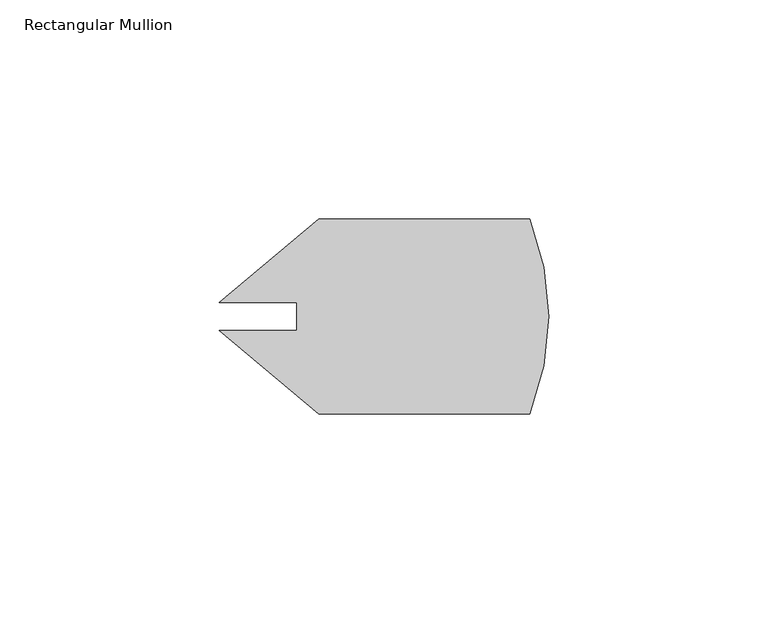
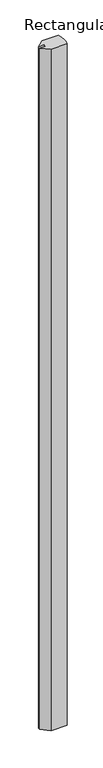
"""IFC4 building model written with IfcOpenShell, lengths in millimetres: member geometry, Rectangular Mullion."""

from ifc_helpers import new_model, si_unit, point, frame, frame_2d, origin, place, context, project, spatial, polyline, circle_curve, trimmed, segment, composite_curve, outline, extrude, source, transform, mapped, element, save


def rectangular_mullion_6d8685f0(model_context):
    return source(origin(), model_context, "Body", "SweptSolid", [
        extrude(outline(composite_curve([segment(polyline([(-52.3422934, 39.5731609), (-4.2848196, 39.5731609)]), True, "CONTINUOUS"), segment(trimmed(circle_curve(frame_2d((-58.6415258, 17.3481609)), 58.7248), [point((-4.2848196, 39.5731609))], [point((-4.2848196, -4.8768391))], False, "CARTESIAN"), True, "CONTINUOUS"), segment(polyline([(-4.2848196, -4.8768391), (-52.3422934, -4.8768391), (-75.0606181, 14.1860988), (-57.3653136, 14.1860988), (-57.3653136, 20.5102231), (-75.0606181, 20.5102231), (-52.3422934, 39.5731609)]), True, "CONTINUOUS")], self_intersect=False)), frame((0.0, 0.0, -2156.698374), z_axis=(0.0, 0.0, 1.0), x_axis=(1.0, 0.0, 0.0)), (0.0, 0.0, 1.0), 2156.698374),
    ])


if __name__ == "__main__":
    model = new_model("IFC4")
    model_context = context("Model", 3, world=origin())
    ifc_project = project(units=[si_unit("LENGTHUNIT", "METRE", prefix="MILLI")], contexts=[model_context])
    site = spatial("IfcSite", under=ifc_project)
    building = spatial("IfcBuilding", under=site)
    placement = place(None, origin())
    rectangular_mullion_shape = rectangular_mullion_6d8685f0(model_context)
    element("IfcMember", 1, ObjectType="Rectangular Mullion", at=placement, inside=building, context=model_context, shape_type="MappedRepresentation", body=[
        mapped(rectangular_mullion_shape, transform((0.0, 0.0, 0.0), x_axis=(1.0, 0.0, 0.0), y_axis=(0.0, 1.0, 0.0), z_axis=(0.0, 0.0, 1.0))),
    ])
    save(model, "model.ifc")
